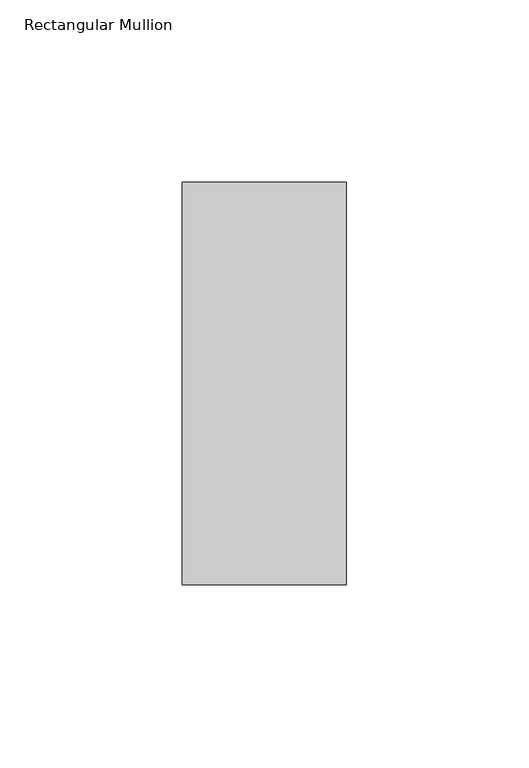
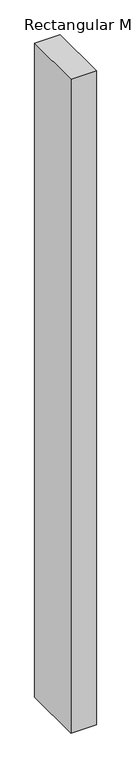
"""IFC4 building model written with IfcOpenShell, lengths in millimetres: member geometry, Rectangular Mullion."""

from ifc_helpers import new_model, si_unit, frame, origin, place, context, project, spatial, polyline, outline, extrude, source, transform, mapped, element, save


def rectangular_mullion_ce736cf2(model_context):
    return source(origin(), model_context, "Body", "SweptSolid", [
        extrude(outline(polyline([(22.5, -70.7), (-22.5, -70.7), (-22.5, 39.7), (22.5, 39.7), (22.5, -70.7)])), frame((0.0, 0.0, -1219.2), z_axis=(0.0, 0.0, 1.0), x_axis=(1.0, 0.0, 0.0)), (0.0, 0.0, 1.0), 1219.2),
    ])


if __name__ == "__main__":
    model = new_model("IFC4")
    model_context = context("Model", 3, world=origin())
    ifc_project = project(units=[si_unit("LENGTHUNIT", "METRE", prefix="MILLI")], contexts=[model_context])
    site = spatial("IfcSite", under=ifc_project)
    building = spatial("IfcBuilding", under=site)
    placement = place(None, origin())
    rectangular_mullion_shape = rectangular_mullion_ce736cf2(model_context)
    element("IfcMember", 1, ObjectType="Rectangular Mullion", at=placement, inside=building, context=model_context, shape_type="MappedRepresentation", body=[
        mapped(rectangular_mullion_shape, transform((0.0, 0.0, 0.0), x_axis=(1.0, 0.0, 0.0), y_axis=(0.0, 1.0, 0.0), z_axis=(0.0, 0.0, 1.0))),
    ])
    save(model, "model.ifc")
